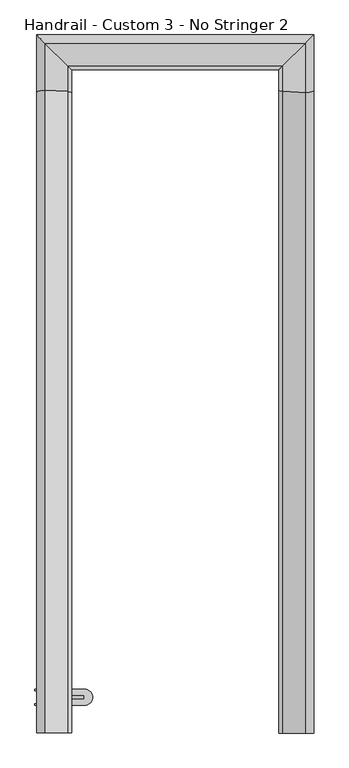
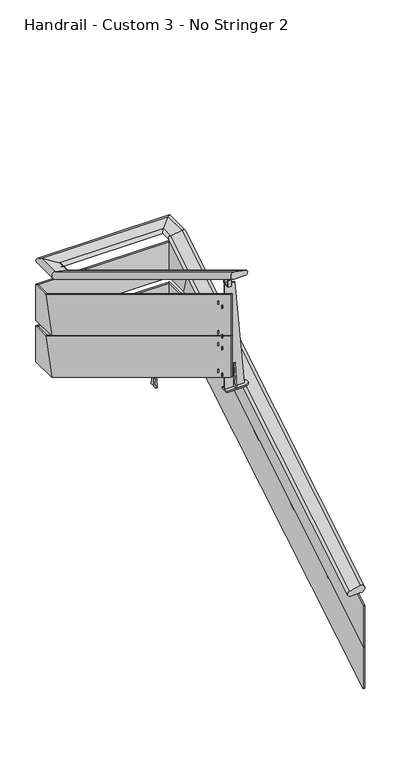
"""IFC4 building model written with IfcOpenShell, lengths in millimetres: railing geometry, Handrail - Custom 3 - No Stringer 2."""

from ifc_helpers import new_model, si_unit, frame, origin, place, context, project, spatial, polyline, circle_curve, ellipse_curve, outline, extrude, faceted_brep, source, transform, mapped, element, save
from ifc_brep_helpers import plane_surface, cylinder_surface, advanced_brep


def handrail_custom_3_no_stringer_2_b322c682(model_context):
    return source(origin(), model_context, "Body", "SolidModel", [
        advanced_brep(
        [(6934.9630012, 2487.7090883, 1039.1822381), (7026.170482, 2487.7090883, 1039.1822381), (7021.4768376, 2487.7090883, 1101.9146242), (6931.6550035, 2487.7090883, 1083.3949177), (6934.9630012, 5012.9533954, 2569.6333333), (7026.170482, 5012.9533954, 2569.6333333), (7021.4768376, 4997.9651493, 2623.2819339), (6931.6550035, 5002.3899438, 2607.443921), (6934.9630012, 5105.5757474, 2569.6333333), (7026.170482, 5196.7832281, 2569.6333333), (7021.4768376, 5192.0895838, 2623.2819339), (6931.6550035, 5102.2677496, 2607.443921), (6084.064631, 5105.5757474, 2569.6333333), (5992.8571502, 5196.7832281, 2569.6333333), (5997.5507946, 5192.0895838, 2623.2819339), (6087.3726288, 5102.2677496, 2607.443921), (6084.064631, 4991.6647813, 2569.6333333), (5992.8571502, 4991.6647813, 2569.6333333), (5997.5507946, 5006.6530274, 2623.2819339), (6087.3726288, 5002.2282329, 2607.443921), (6084.064631, 2487.7090883, 4087.1822381), (6087.3726288, 2487.7090883, 4131.3949177), (5997.5507946, 2487.7090883, 4149.9146242), (5992.8571502, 2487.7090883, 4087.1822381)],
        [
            (0, 1),
            (1, 2, ellipse_curve(frame((7026.170482, 2487.7090883, 1070.7885164), z_axis=(0.0, -1.0, 0.0), x_axis=(0.0, 0.0, -1.0)), 31.6062782, 27.0296206)),
            (2, 3),
            (3, 0, ellipse_curve(frame((6934.9630012, 2487.7090883, 1061.4577857), z_axis=(0.0, -1.0, 0.0), x_axis=(0.0, 0.0, -1.0)), 22.2755476, 19.05)),
            (0, 4),
            (4, 5),
            (5, 1),
            (5, 6, ellipse_curve(frame((7026.170482, 5005.4019103, 2596.6629539), z_axis=(0.0, -0.9631193673564087, -0.2690744956754374), x_axis=(0.0, 0.26907449567543734, -0.9631193673564088)), 28.0646631, 27.0296206)),
            (6, 2),
            (6, 7),
            (7, 3),
            (7, 4, ellipse_curve(frame((6934.9630012, 5007.6312419, 2588.6833333), z_axis=(0.0, -0.9631193673564087, -0.2690744956754374), x_axis=(0.0, 0.26907449567543734, -0.9631193673564088)), 19.7794797, 19.05)),
            (4, 8),
            (8, 9),
            (9, 5),
            (9, 10, ellipse_curve(frame((7026.170482, 5196.7832281, 2596.6629539), z_axis=(0.7071067811865462, -0.7071067811865487, 0.0), x_axis=(-0.7071067811865487, -0.7071067811865464, 0.0)), 38.225656, 27.0296206)),
            (10, 6),
            (10, 11),
            (11, 7),
            (11, 8, ellipse_curve(frame((6934.9630012, 5105.5757474, 2588.6833333), z_axis=(0.7071067811865462, -0.7071067811865487, 0.0), x_axis=(-0.7071067811865487, -0.7071067811865464, 0.0)), 26.9407684, 19.05)),
            (8, 12),
            (12, 13),
            (13, 9),
            (13, 14, ellipse_curve(frame((5992.8571502, 5196.7832281, 2596.6629539), z_axis=(0.7071067811865487, 0.7071067811865462, 0.0), x_axis=(0.7071067811865464, -0.7071067811865487, 0.0)), 38.225656, 27.0296206)),
            (14, 10),
            (14, 15),
            (15, 11),
            (15, 12, ellipse_curve(frame((6084.064631, 5105.5757474, 2588.6833333), z_axis=(0.7071067811865487, 0.7071067811865462, 0.0), x_axis=(0.7071067811865464, -0.7071067811865487, 0.0)), 26.9407684, 19.05)),
            (12, 16),
            (16, 17),
            (17, 13),
            (17, 18, ellipse_curve(frame((5992.8571502, 4999.2162663, 2596.6629539), z_axis=(0.0, 0.9631193673564088, -0.26907449567543756), x_axis=(0.0, 0.26907449567543673, 0.9631193673564089)), 28.0646631, 27.0296206)),
            (18, 14),
            (18, 19),
            (19, 15),
            (19, 16, ellipse_curve(frame((6084.064631, 4996.9869348, 2588.6833333), z_axis=(0.0, 0.9631193673564088, -0.26907449567543756), x_axis=(0.0, 0.26907449567543673, 0.9631193673564089)), 19.7794797, 19.05)),
            (20, 21, ellipse_curve(frame((6084.064631, 2487.7090883, 4109.4577857), z_axis=(0.0, -1.0, 0.0), x_axis=(0.0, 0.0, -1.0)), 22.2755476, 19.05)),
            (21, 22),
            (22, 23, ellipse_curve(frame((5992.8571502, 2487.7090883, 4118.7885164), z_axis=(0.0, -1.0, 0.0), x_axis=(0.0, 0.0, -1.0)), 31.6062782, 27.0296206)),
            (23, 20),
            (16, 20),
            (23, 17),
            (22, 18),
            (21, 19),
        ],
        [
            plane_surface(frame((6984.0963422, 2487.7090883, 1083.7333333), z_axis=(0.0, -1.0, 0.0), x_axis=(0.0, 0.0, 1.0))),
            plane_surface(frame((6934.9630012, 2487.7090883, 1039.1822381), z_axis=(0.0, 0.518301716093344, -0.8551978315540181), x_axis=(0.0, 0.8551978315540181, 0.518301716093344))),
            cylinder_surface(frame((7026.170482, 2493.446885, 1074.2659689), z_axis=(0.0, -0.8551978315540181, -0.5183017160933441), x_axis=(-1.0, 0.0, 0.0)), 27.0296206),
            plane_surface(frame((7021.4768376, 2487.7090883, 1101.9146242), z_axis=(-0.17364817766693424, -0.5104275484082569, 0.842205454873625), x_axis=(0.0, 0.8551978315540182, 0.518301716093344))),
            cylinder_surface(frame((6934.9630012, 2497.582736, 1067.4418146), z_axis=(0.0, -0.8551978315540181, -0.5183017160933441), x_axis=(-1.0, 0.0, 0.0)), 19.05),
            plane_surface(frame((6934.9630012, 5012.9533954, 2569.6333333), z_axis=(0.0, 0.0, -1.0), x_axis=(0.0, 1.0, 0.0))),
            cylinder_surface(frame((7026.170482, 5002.3090883, 2596.6629539), z_axis=(0.0, -1.0, 0.0), x_axis=(-1.0, 0.0, 0.0)), 27.0296206),
            plane_surface(frame((7021.4768376, 4997.9651493, 2623.2819339), z_axis=(-0.17364817766693336, 0.0, 0.9848077530122076), x_axis=(0.0, 1.0, 0.0))),
            cylinder_surface(frame((6934.9630012, 5002.3090883, 2588.6833333), z_axis=(0.0, -1.0, 0.0), x_axis=(-1.0, 0.0, 0.0)), 19.05),
            plane_surface(frame((6934.9630012, 5105.5757474, 2569.6333333), z_axis=(0.0, 0.0, -1.0), x_axis=(-1.0, 0.0, 0.0))),
            cylinder_surface(frame((6984.0963422, 5196.7832281, 2596.6629539), z_axis=(1.0, 0.0, 0.0), x_axis=(0.0, -1.0, 0.0)), 27.0296206),
            plane_surface(frame((7021.4768376, 5192.0895838, 2623.2819339), z_axis=(0.0, -0.17364817766693336, 0.9848077530122076), x_axis=(-1.0, 0.0, 0.0))),
            cylinder_surface(frame((6984.0963422, 5105.5757474, 2588.6833333), z_axis=(1.0, 0.0, 0.0), x_axis=(0.0, -1.0, 0.0)), 19.05),
            plane_surface(frame((6084.064631, 5105.5757474, 2569.6333333), z_axis=(0.0, 0.0, -1.0), x_axis=(0.0, -1.0, 0.0))),
            cylinder_surface(frame((5992.8571502, 5154.7090883, 2596.6629539), z_axis=(0.0, 1.0, 0.0), x_axis=(1.0, 0.0, 0.0)), 27.0296206),
            plane_surface(frame((5997.5507946, 5192.0895838, 2623.2819339), z_axis=(0.17364817766693336, 0.0, 0.9848077530122076), x_axis=(0.0, -1.0, 0.0))),
            cylinder_surface(frame((6084.064631, 5154.7090883, 2588.6833333), z_axis=(0.0, 1.0, 0.0), x_axis=(1.0, 0.0, 0.0)), 19.05),
            plane_surface(frame((6034.93129, 2487.7090883, 4131.7333333), z_axis=(0.0, -1.0, 0.0), x_axis=(0.0, 0.0, -1.0))),
            plane_surface(frame((6084.064631, 4991.6647813, 2569.6333333), z_axis=(0.0, -0.5183017160933444, -0.8551978315540179), x_axis=(0.0, -0.8551978315540179, 0.5183017160933444))),
            cylinder_surface(frame((5992.8571502, 4996.5712917, 2598.2659689), z_axis=(0.0, 0.8551978315540179, -0.5183017160933443), x_axis=(1.0, 0.0, 0.0)), 27.0296206),
            plane_surface(frame((5997.5507946, 5006.6530274, 2623.2819339), z_axis=(0.17364817766693424, 0.5104275484082572, 0.8422054548736247), x_axis=(0.0, -0.8551978315540179, 0.5183017160933443))),
            cylinder_surface(frame((6084.064631, 4992.4354406, 2591.4418146), z_axis=(0.0, 0.8551978315540179, -0.5183017160933443), x_axis=(1.0, 0.0, 0.0)), 19.05),
        ],
        [
            (0, [[1, 2, 3, 4]]),
            (1, [[-1, 5, 6, 7]]),
            (2, [[-2, -7, 8, 9]]),
            (3, [[-3, -9, 10, 11]]),
            (4, [[-4, -11, 12, -5]]),
            (5, [[-6, 13, 14, 15]]),
            (6, [[-8, -15, 16, 17]]),
            (7, [[-10, -17, 18, 19]]),
            (8, [[-12, -19, 20, -13]]),
            (9, [[-14, 21, 22, 23]]),
            (10, [[-16, -23, 24, 25]]),
            (11, [[-18, -25, 26, 27]]),
            (12, [[-20, -27, 28, -21]]),
            (13, [[-22, 29, 30, 31]]),
            (14, [[-24, -31, 32, 33]]),
            (15, [[-26, -33, 34, 35]]),
            (16, [[-28, -35, 36, -29]]),
            (17, [[37, 38, 39, 40]]),
            (18, [[-30, 41, -40, 42]]),
            (19, [[-32, -42, -39, 43]]),
            (20, [[-34, -43, -38, 44]]),
            (21, [[-36, -44, -37, -41]]),
        ],
    ),
        faceted_brep([(7039.6588422, 2487.7090883, 207.4333333), (7052.3588422, 2487.7090883, 207.4333333), (7052.3588422, 2487.7090883, 563.8420949), (7039.6588422, 2487.7090883, 563.8420949), (7039.6588422, 5002.3090883, 1731.4333333), (7052.3588422, 5002.3090883, 1731.4333333), (7052.3588422, 4917.1546318, 2036.2333333), (7039.6588422, 4917.1546318, 2036.2333333), (7039.6588422, 5210.2715883, 1731.4333333), (7052.3588422, 5222.9715883, 1731.4333333), (7052.3588422, 5222.9715883, 2036.2333333), (7039.6588422, 5210.2715883, 2036.2333333), (5979.36879, 5210.2715883, 1731.4333333), (5966.66879, 5222.9715883, 1731.4333333), (5966.66879, 5222.9715883, 2036.2333333), (5979.36879, 5210.2715883, 2036.2333333), (5979.36879, 5002.3090883, 1731.4333333), (5966.66879, 5002.3090883, 1731.4333333), (5966.66879, 5087.4635448, 2036.2333333), (5979.36879, 5087.4635448, 2036.2333333), (5979.36879, 2487.7090883, 3255.4333333), (5979.36879, 2487.7090883, 3611.8420949), (5966.66879, 2487.7090883, 3611.8420949), (5966.66879, 2487.7090883, 3255.4333333)], [[[0, 1, 2, 3]], [[1, 0, 4, 5]], [[2, 1, 5, 6]], [[3, 2, 6, 7]], [[0, 3, 7, 4]], [[5, 4, 8, 9]], [[6, 5, 9, 10]], [[7, 6, 10, 11]], [[4, 7, 11, 8]], [[9, 8, 12, 13]], [[10, 9, 13, 14]], [[11, 10, 14, 15]], [[8, 11, 15, 12]], [[13, 12, 16, 17]], [[14, 13, 17, 18]], [[15, 14, 18, 19]], [[12, 15, 19, 16]], [[20, 21, 22, 23]], [[17, 16, 20, 23]], [[18, 17, 23, 22]], [[19, 18, 22, 21]], [[16, 19, 21, 20]]]),
        faceted_brep([(7039.6588422, 2487.7090883, 563.0333333), (7052.3588422, 2487.7090883, 563.0333333), (7052.3588422, 2487.7090883, 919.4420949), (7039.6588422, 2487.7090883, 919.4420949), (7039.6588422, 5002.3090883, 2087.0333333), (7052.3588422, 5002.3090883, 2087.0333333), (7052.3588422, 4917.1546318, 2391.8333333), (7039.6588422, 4917.1546318, 2391.8333333), (7039.6588422, 5210.2715883, 2087.0333333), (7052.3588422, 5222.9715883, 2087.0333333), (7052.3588422, 5222.9715883, 2391.8333333), (7039.6588422, 5210.2715883, 2391.8333333), (5979.36879, 5210.2715883, 2087.0333333), (5966.66879, 5222.9715883, 2087.0333333), (5966.66879, 5222.9715883, 2391.8333333), (5979.36879, 5210.2715883, 2391.8333333), (5979.36879, 5002.3090883, 2087.0333333), (5966.66879, 5002.3090883, 2087.0333333), (5966.66879, 5087.4635448, 2391.8333333), (5979.36879, 5087.4635448, 2391.8333333), (5979.36879, 2487.7090883, 3611.0333333), (5979.36879, 2487.7090883, 3967.4420949), (5966.66879, 2487.7090883, 3967.4420949), (5966.66879, 2487.7090883, 3611.0333333)], [[[0, 1, 2, 3]], [[1, 0, 4, 5]], [[2, 1, 5, 6]], [[3, 2, 6, 7]], [[0, 3, 7, 4]], [[5, 4, 8, 9]], [[6, 5, 9, 10]], [[7, 6, 10, 11]], [[4, 7, 11, 8]], [[9, 8, 12, 13]], [[10, 9, 13, 14]], [[11, 10, 14, 15]], [[8, 11, 15, 12]], [[13, 12, 16, 17]], [[14, 13, 17, 18]], [[15, 14, 18, 19]], [[12, 15, 19, 16]], [[20, 21, 22, 23]], [[17, 16, 20, 23]], [[18, 17, 23, 22]], [[19, 18, 22, 21]], [[16, 19, 21, 20]]]),
        extrude(outline(polyline([(2621.0590883, 3263.9), (2621.0590883, 3060.7), (2595.6590883, 3060.7), (2621.0590883, 3263.9)])), frame((6066.68129, 0.0, 0.0), z_axis=(1.0, 0.0, 0.0), x_axis=(0.0, 1.0, 0.0)), (0.0, 0.0, 1.0), 12.7),
        extrude(outline(polyline([(2633.7590883, 3263.9), (2659.1590883, 3060.7), (2633.7590883, 3060.7), (2633.7590883, 3263.9)])), frame((6066.68129, 0.0, 0.0), z_axis=(1.0, 0.0, 0.0), x_axis=(0.0, 1.0, 0.0)), (0.0, 0.0, 1.0), 12.7),
        advanced_brep(
        [(6078.3705852, 2621.0590883, 3951.7155715), (6034.93129, 2621.0590883, 3951.7155715), (6034.93129, 2621.0590883, 3945.3655715), (6009.53129, 2621.0590883, 3945.3655715), (6009.53129, 2621.0590883, 3951.7155715), (5996.83129, 2621.0590883, 3951.7155715), (5996.83129, 2621.0590883, 3060.7), (6152.0702467, 2621.0590883, 3060.7), (6034.93129, 2621.0590883, 3222.8668385), (6034.93129, 2621.0590883, 3197.4668385), (6028.58129, 2621.0590883, 3197.4668385), (6028.58129, 2621.0590883, 3222.8668385), (6034.93129, 2621.0590883, 3451.4668385), (6034.93129, 2621.0590883, 3426.0668385), (6028.58129, 2621.0590883, 3426.0668385), (6028.58129, 2621.0590883, 3451.4668385), (6034.93129, 2621.0590883, 3553.0668385), (6034.93129, 2621.0590883, 3527.6668385), (6028.58129, 2621.0590883, 3527.6668385), (6028.58129, 2621.0590883, 3553.0668385), (6034.93129, 2621.0590883, 3807.0668385), (6034.93129, 2621.0590883, 3781.6668385), (6028.58129, 2621.0590883, 3781.6668385), (6028.58129, 2621.0590883, 3807.0668385), (5996.83129, 2633.7590883, 3951.7155715), (6009.53129, 2633.7590883, 3951.7155715), (6009.53129, 2633.7590883, 3945.3655715), (6034.93129, 2633.7590883, 3945.3655715), (6034.93129, 2633.7590883, 3951.7155715), (6078.3705852, 2633.7590883, 3951.7155715), (6152.0702467, 2633.7590883, 3060.7), (5996.83129, 2633.7590883, 3060.7), (6028.58129, 2633.7590883, 3222.8668385), (6028.58129, 2633.7590883, 3197.4668385), (6034.93129, 2633.7590883, 3197.4668385), (6034.93129, 2633.7590883, 3222.8668385), (6028.58129, 2633.7590883, 3451.4668385), (6028.58129, 2633.7590883, 3426.0668385), (6034.93129, 2633.7590883, 3426.0668385), (6034.93129, 2633.7590883, 3451.4668385), (6028.58129, 2633.7590883, 3553.0668385), (6028.58129, 2633.7590883, 3527.6668385), (6034.93129, 2633.7590883, 3527.6668385), (6034.93129, 2633.7590883, 3553.0668385), (6028.58129, 2633.7590883, 3807.0668385), (6028.58129, 2633.7590883, 3781.6668385), (6034.93129, 2633.7590883, 3781.6668385), (6034.93129, 2633.7590883, 3807.0668385), (6009.53129, 2602.0090883, 3951.7155715), (6034.93129, 2602.0090883, 3951.7155715), (6034.93129, 2652.8090883, 3951.7155715), (6009.53129, 2652.8090883, 3951.7155715), (5996.83129, 2595.6590883, 3048.0), (5996.83129, 2659.1590883, 3048.0), (6153.1207173, 2659.1590883, 3048.0), (6153.1207173, 2595.6590883, 3048.0), (5996.83129, 2659.1590883, 3060.7), (5996.83129, 2595.6590883, 3060.7), (6153.1207173, 2595.6590883, 3060.7), (6153.1207173, 2659.1590883, 3060.7), (6028.58129, 2602.0090883, 3197.4668385), (5977.78129, 2602.0090883, 3197.4668385), (5977.78129, 2602.0090883, 3222.8668385), (6028.58129, 2602.0090883, 3222.8668385), (5977.78129, 2595.6590883, 3222.8668385), (6034.93129, 2595.6590883, 3222.8668385), (6034.93129, 2659.1590883, 3222.8668385), (5977.78129, 2659.1590883, 3222.8668385), (5977.78129, 2652.8090883, 3222.8668385), (6028.58129, 2652.8090883, 3222.8668385), (5977.78129, 2595.6590883, 3197.4668385), (6034.93129, 2595.6590883, 3197.4668385), (6028.58129, 2652.8090883, 3197.4668385), (5977.78129, 2652.8090883, 3197.4668385), (5977.78129, 2659.1590883, 3197.4668385), (6034.93129, 2659.1590883, 3197.4668385), (6028.58129, 2602.0090883, 3426.0668385), (5977.78129, 2602.0090883, 3426.0668385), (5977.78129, 2602.0090883, 3451.4668385), (6028.58129, 2602.0090883, 3451.4668385), (5977.78129, 2595.6590883, 3451.4668385), (6034.93129, 2595.6590883, 3451.4668385), (6034.93129, 2659.1590883, 3451.4668385), (5977.78129, 2659.1590883, 3451.4668385), (5977.78129, 2652.8090883, 3451.4668385), (6028.58129, 2652.8090883, 3451.4668385), (5977.78129, 2595.6590883, 3426.0668385), (6034.93129, 2595.6590883, 3426.0668385), (6028.58129, 2652.8090883, 3426.0668385), (5977.78129, 2652.8090883, 3426.0668385), (5977.78129, 2659.1590883, 3426.0668385), (6034.93129, 2659.1590883, 3426.0668385), (6028.58129, 2602.0090883, 3527.6668385), (5977.78129, 2602.0090883, 3527.6668385), (5977.78129, 2602.0090883, 3553.0668385), (6028.58129, 2602.0090883, 3553.0668385), (5977.78129, 2595.6590883, 3553.0668385), (6034.93129, 2595.6590883, 3553.0668385), (6034.93129, 2659.1590883, 3553.0668385), (5977.78129, 2659.1590883, 3553.0668385), (5977.78129, 2652.8090883, 3553.0668385), (6028.58129, 2652.8090883, 3553.0668385), (5977.78129, 2595.6590883, 3527.6668385), (6034.93129, 2595.6590883, 3527.6668385), (6028.58129, 2652.8090883, 3527.6668385), (5977.78129, 2652.8090883, 3527.6668385), (5977.78129, 2659.1590883, 3527.6668385), (6034.93129, 2659.1590883, 3527.6668385), (6028.58129, 2602.0090883, 3781.6668385), (5977.78129, 2602.0090883, 3781.6668385), (5977.78129, 2602.0090883, 3807.0668385), (6028.58129, 2602.0090883, 3807.0668385), (5977.78129, 2595.6590883, 3807.0668385), (6034.93129, 2595.6590883, 3807.0668385), (6034.93129, 2659.1590883, 3807.0668385), (5977.78129, 2659.1590883, 3807.0668385), (5977.78129, 2652.8090883, 3807.0668385), (6028.58129, 2652.8090883, 3807.0668385), (5977.78129, 2595.6590883, 3781.6668385), (6034.93129, 2595.6590883, 3781.6668385), (6028.58129, 2652.8090883, 3781.6668385), (5977.78129, 2652.8090883, 3781.6668385), (5977.78129, 2659.1590883, 3781.6668385), (6034.93129, 2659.1590883, 3781.6668385), (6009.53129, 2595.6590883, 3945.3655715), (6009.53129, 2595.6590883, 4002.5155715), (6009.53129, 2602.0090883, 4002.5155715), (6009.53129, 2652.8090883, 4002.5155715), (6009.53129, 2659.1590883, 4002.5155715), (6009.53129, 2659.1590883, 3945.3655715), (6034.93129, 2602.0090883, 4002.5155715), (6034.93129, 2595.6590883, 4002.5155715), (6034.93129, 2595.6590883, 3945.3655715), (6034.93129, 2659.1590883, 3945.3655715), (6034.93129, 2659.1590883, 4002.5155715), (6034.93129, 2652.8090883, 4002.5155715)],
        [
            (0, 1),
            (1, 2),
            (2, 3),
            (3, 4),
            (4, 5),
            (5, 6),
            (6, 7),
            (7, 0),
            (8, 9),
            (9, 10),
            (10, 11),
            (11, 8),
            (12, 13),
            (13, 14),
            (14, 15),
            (15, 12),
            (16, 17),
            (17, 18),
            (18, 19),
            (19, 16),
            (20, 21),
            (21, 22),
            (22, 23),
            (23, 20),
            (24, 25),
            (25, 26),
            (26, 27),
            (27, 28),
            (28, 29),
            (29, 30),
            (30, 31),
            (31, 24),
            (32, 33),
            (33, 34),
            (34, 35),
            (35, 32),
            (36, 37),
            (37, 38),
            (38, 39),
            (39, 36),
            (40, 41),
            (41, 42),
            (42, 43),
            (43, 40),
            (44, 45),
            (45, 46),
            (46, 47),
            (47, 44),
            (4, 48),
            (48, 49),
            (49, 1),
            (0, 29),
            (28, 50),
            (50, 51),
            (51, 25),
            (24, 5),
            (7, 30),
            (52, 53),
            (53, 54),
            (54, 55, circle_curve(frame((6153.1207173, 2627.4090883, 3048.0), z_axis=(0.0, 0.0, -1.0), x_axis=(-1.0, 0.0, 0.0)), 31.75)),
            (55, 52),
            (31, 56),
            (56, 53),
            (52, 57),
            (57, 6),
            (57, 58),
            (58, 59, circle_curve(frame((6153.1207173, 2627.4090883, 3060.7), z_axis=(0.0, 0.0, 1.0), x_axis=(-1.0, 0.0, 0.0)), 31.75)),
            (59, 56),
            (59, 54),
            (58, 55),
            (60, 61),
            (61, 62),
            (62, 63),
            (63, 60),
            (62, 64),
            (64, 65),
            (65, 8),
            (11, 63),
            (35, 66),
            (66, 67),
            (67, 68),
            (68, 69),
            (69, 32),
            (64, 70),
            (70, 71),
            (71, 65),
            (70, 61),
            (60, 10),
            (9, 71),
            (33, 72),
            (72, 73),
            (73, 74),
            (74, 75),
            (75, 34),
            (76, 77),
            (77, 78),
            (78, 79),
            (79, 76),
            (78, 80),
            (80, 81),
            (81, 12),
            (15, 79),
            (39, 82),
            (82, 83),
            (83, 84),
            (84, 85),
            (85, 36),
            (80, 86),
            (86, 87),
            (87, 81),
            (86, 77),
            (76, 14),
            (13, 87),
            (37, 88),
            (88, 89),
            (89, 90),
            (90, 91),
            (91, 38),
            (92, 93),
            (93, 94),
            (94, 95),
            (95, 92),
            (94, 96),
            (96, 97),
            (97, 16),
            (19, 95),
            (43, 98),
            (98, 99),
            (99, 100),
            (100, 101),
            (101, 40),
            (96, 102),
            (102, 103),
            (103, 97),
            (102, 93),
            (92, 18),
            (17, 103),
            (41, 104),
            (104, 105),
            (105, 106),
            (106, 107),
            (107, 42),
            (108, 109),
            (109, 110),
            (110, 111),
            (111, 108),
            (110, 112),
            (112, 113),
            (113, 20),
            (23, 111),
            (47, 114),
            (114, 115),
            (115, 116),
            (116, 117),
            (117, 44),
            (112, 118),
            (118, 119),
            (119, 113),
            (118, 109),
            (108, 22),
            (21, 119),
            (45, 120),
            (120, 121),
            (121, 122),
            (122, 123),
            (123, 46),
            (69, 72),
            (75, 66),
            (85, 88),
            (91, 82),
            (101, 104),
            (107, 98),
            (117, 120),
            (123, 114),
            (68, 73),
            (74, 67),
            (84, 89),
            (90, 83),
            (100, 105),
            (106, 99),
            (116, 121),
            (122, 115),
            (3, 124),
            (124, 125),
            (125, 126),
            (126, 48),
            (51, 127),
            (127, 128),
            (128, 129),
            (129, 26),
            (49, 130),
            (130, 131),
            (131, 132),
            (132, 2),
            (27, 133),
            (133, 134),
            (134, 135),
            (135, 50),
            (126, 130),
            (125, 131),
            (124, 132),
            (129, 133),
            (128, 134),
            (127, 135),
        ],
        [
            plane_surface(frame((5996.83129, 2621.0590883, 3951.7155715), z_axis=(0.0, -1.0, 0.0), x_axis=(1.0, 0.0, 0.0))),
            plane_surface(frame((5996.83129, 2633.7590883, 3951.7155715), z_axis=(0.0, 1.0, 0.0), x_axis=(-1.0, 0.0, 0.0))),
            plane_surface(frame((5996.83129, 2621.0590883, 3951.7155715), z_axis=(0.0, 0.0, 1.0), x_axis=(0.0, 1.0, 0.0))),
            plane_surface(frame((6078.3705852, 2621.0590883, 3951.7155715), z_axis=(0.9965966321302145, 0.0, 0.08243271696792498), x_axis=(0.0, 1.0, 0.0))),
            plane_surface(frame((6153.1207173, 2621.0590883, 3048.0), z_axis=(0.0, 0.0, -1.0), x_axis=(0.0, 1.0, 0.0))),
            plane_surface(frame((5996.83129, 2621.0590883, 3048.0), z_axis=(-1.0, 0.0, 0.0), x_axis=(0.0, 1.0, 0.0))),
            plane_surface(frame((5996.83129, 2659.1590883, 3060.7), z_axis=(0.0, 0.0, 1.0), x_axis=(1.0, 0.0, 0.0))),
            plane_surface(frame((5996.83129, 2659.1590883, 3060.7), z_axis=(0.0, 1.0, 0.0), x_axis=(0.0, 0.0, -1.0))),
            cylinder_surface(frame((6153.1207173, 2627.4090883, 3048.0), z_axis=(0.0, 0.0, 1.0), x_axis=(-1.0, 0.0, 0.0)), 31.75),
            plane_surface(frame((6153.1207173, 2595.6590883, 3060.7), z_axis=(0.0, -1.0, 0.0), x_axis=(0.0, 0.0, -1.0))),
            plane_surface(frame((5958.73129, 2602.0090883, 3197.4668385), z_axis=(0.0, 1.0, 0.0), x_axis=(1.0, 0.0, 0.0))),
            plane_surface(frame((5958.73129, 2602.0090883, 3222.8668385), z_axis=(0.0, 0.0, 1.0), x_axis=(1.0, 0.0, 0.0))),
            plane_surface(frame((5958.73129, 2595.6590883, 3222.8668385), z_axis=(0.0, -1.0, 0.0), x_axis=(1.0, 0.0, 0.0))),
            plane_surface(frame((5958.73129, 2595.6590883, 3197.4668385), z_axis=(0.0, 0.0, -1.0), x_axis=(1.0, 0.0, 0.0))),
            plane_surface(frame((5958.73129, 2602.0090883, 3426.0668385), z_axis=(0.0, 1.0, 0.0), x_axis=(1.0, 0.0, 0.0))),
            plane_surface(frame((5958.73129, 2602.0090883, 3451.4668385), z_axis=(0.0, 0.0, 1.0), x_axis=(1.0, 0.0, 0.0))),
            plane_surface(frame((5958.73129, 2595.6590883, 3451.4668385), z_axis=(0.0, -1.0, 0.0), x_axis=(1.0, 0.0, 0.0))),
            plane_surface(frame((5958.73129, 2595.6590883, 3426.0668385), z_axis=(0.0, 0.0, -1.0), x_axis=(1.0, 0.0, 0.0))),
            plane_surface(frame((5958.73129, 2602.0090883, 3527.6668385), z_axis=(0.0, 1.0, 0.0), x_axis=(1.0, 0.0, 0.0))),
            plane_surface(frame((5958.73129, 2602.0090883, 3553.0668385), z_axis=(0.0, 0.0, 1.0), x_axis=(1.0, 0.0, 0.0))),
            plane_surface(frame((5958.73129, 2595.6590883, 3553.0668385), z_axis=(0.0, -1.0, 0.0), x_axis=(1.0, 0.0, 0.0))),
            plane_surface(frame((5958.73129, 2595.6590883, 3527.6668385), z_axis=(0.0, 0.0, -1.0), x_axis=(1.0, 0.0, 0.0))),
            plane_surface(frame((5958.73129, 2602.0090883, 3781.6668385), z_axis=(0.0, 1.0, 0.0), x_axis=(1.0, 0.0, 0.0))),
            plane_surface(frame((5958.73129, 2602.0090883, 3807.0668385), z_axis=(0.0, 0.0, 1.0), x_axis=(1.0, 0.0, 0.0))),
            plane_surface(frame((5958.73129, 2595.6590883, 3807.0668385), z_axis=(0.0, -1.0, 0.0), x_axis=(1.0, 0.0, 0.0))),
            plane_surface(frame((5958.73129, 2595.6590883, 3781.6668385), z_axis=(0.0, 0.0, -1.0), x_axis=(1.0, 0.0, 0.0))),
            plane_surface(frame((6028.58129, 2602.0090883, 3197.4668385), z_axis=(-1.0, 0.0, 0.0), x_axis=(0.0, 1.0, 0.0))),
            plane_surface(frame((6034.93129, 2595.6590883, 3222.8668385), z_axis=(1.0, 0.0, 0.0), x_axis=(0.0, 1.0, 0.0))),
            plane_surface(frame((6028.58129, 2602.0090883, 3426.0668385), z_axis=(-1.0, 0.0, 0.0), x_axis=(0.0, 1.0, 0.0))),
            plane_surface(frame((6034.93129, 2595.6590883, 3451.4668385), z_axis=(1.0, 0.0, 0.0), x_axis=(0.0, 1.0, 0.0))),
            plane_surface(frame((6028.58129, 2602.0090883, 3527.6668385), z_axis=(-1.0, 0.0, 0.0), x_axis=(0.0, 1.0, 0.0))),
            plane_surface(frame((6034.93129, 2595.6590883, 3553.0668385), z_axis=(1.0, 0.0, 0.0), x_axis=(0.0, 1.0, 0.0))),
            plane_surface(frame((6028.58129, 2602.0090883, 3781.6668385), z_axis=(-1.0, 0.0, 0.0), x_axis=(0.0, 1.0, 0.0))),
            plane_surface(frame((6034.93129, 2595.6590883, 3807.0668385), z_axis=(1.0, 0.0, 0.0), x_axis=(0.0, 1.0, 0.0))),
            plane_surface(frame((6028.58129, 2652.8090883, 3197.4668385), z_axis=(0.0, -1.0, 0.0), x_axis=(-1.0, 0.0, 0.0))),
            plane_surface(frame((6034.93129, 2659.1590883, 3222.8668385), z_axis=(0.0, 1.0, 0.0), x_axis=(-1.0, 0.0, 0.0))),
            plane_surface(frame((6028.58129, 2652.8090883, 3426.0668385), z_axis=(0.0, -1.0, 0.0), x_axis=(-1.0, 0.0, 0.0))),
            plane_surface(frame((6034.93129, 2659.1590883, 3451.4668385), z_axis=(0.0, 1.0, 0.0), x_axis=(-1.0, 0.0, 0.0))),
            plane_surface(frame((6028.58129, 2652.8090883, 3527.6668385), z_axis=(0.0, -1.0, 0.0), x_axis=(-1.0, 0.0, 0.0))),
            plane_surface(frame((6034.93129, 2659.1590883, 3553.0668385), z_axis=(0.0, 1.0, 0.0), x_axis=(-1.0, 0.0, 0.0))),
            plane_surface(frame((6028.58129, 2652.8090883, 3781.6668385), z_axis=(0.0, -1.0, 0.0), x_axis=(-1.0, 0.0, 0.0))),
            plane_surface(frame((6034.93129, 2659.1590883, 3807.0668385), z_axis=(0.0, 1.0, 0.0), x_axis=(-1.0, 0.0, 0.0))),
            plane_surface(frame((5977.78129, 2659.1590883, 4002.5155715), z_axis=(-1.0, 0.0, 0.0), x_axis=(0.0, 0.0, -1.0))),
            plane_surface(frame((6009.53129, 2602.0090883, 4002.5155715), z_axis=(-1.0, 0.0, 0.0), x_axis=(0.0, 0.0, 1.0))),
            plane_surface(frame((6034.93129, 2602.0090883, 4002.5155715), z_axis=(1.0, 0.0, 0.0), x_axis=(0.0, 0.0, -1.0))),
            plane_surface(frame((6009.53129, 2602.0090883, 3951.7155715), z_axis=(0.0, 1.0, 0.0), x_axis=(1.0, 0.0, 0.0))),
            plane_surface(frame((6009.53129, 2602.0090883, 4002.5155715), z_axis=(0.0, 0.0, 1.0), x_axis=(1.0, 0.0, 0.0))),
            plane_surface(frame((6009.53129, 2595.6590883, 4002.5155715), z_axis=(0.0, -1.0, 0.0), x_axis=(1.0, 0.0, 0.0))),
            plane_surface(frame((6009.53129, 2595.6590883, 3945.3655715), z_axis=(0.0, 0.0, -1.0), x_axis=(1.0, 0.0, 0.0))),
            plane_surface(frame((6009.53129, 2633.7590883, 3945.3655715), z_axis=(0.0, 0.0, -1.0), x_axis=(1.0, 0.0, 0.0))),
            plane_surface(frame((6009.53129, 2659.1590883, 3945.3655715), z_axis=(0.0, 1.0, 0.0), x_axis=(1.0, 0.0, 0.0))),
            plane_surface(frame((6009.53129, 2659.1590883, 4002.5155715), z_axis=(0.0, 0.0, 1.0), x_axis=(1.0, 0.0, 0.0))),
            plane_surface(frame((6009.53129, 2652.8090883, 4002.5155715), z_axis=(0.0, -1.0, 0.0), x_axis=(1.0, 0.0, 0.0))),
        ],
        [
            (0, [[1, 2, 3, 4, 5, 6, 7, 8], [9, 10, 11, 12], [13, 14, 15, 16], [17, 18, 19, 20], [21, 22, 23, 24]]),
            (1, [[25, 26, 27, 28, 29, 30, 31, 32], [33, 34, 35, 36], [37, 38, 39, 40], [41, 42, 43, 44], [45, 46, 47, 48]]),
            (2, [[-5, 49, 50, 51, -1, 52, -29, 53, 54, 55, -25, 56]]),
            (3, [[-8, 57, -30, -52]]),
            (4, [[58, 59, 60, 61]]),
            (5, [[-32, 62, 63, -58, 64, 65, -6, -56]]),
            (6, [[-62, -31, -57, -7, -65, 66, 67, 68]]),
            (7, [[69, -59, -63, -68]]),
            (8, [[70, -60, -69, -67]]),
            (9, [[-64, -61, -70, -66]]),
            (10, [[71, 72, 73, 74]]),
            (11, [[-73, 75, 76, 77, -12, 78]]),
            (11, [[-36, 79, 80, 81, 82, 83]]),
            (12, [[-76, 84, 85, 86]]),
            (13, [[-85, 87, -71, 88, -10, 89]]),
            (13, [[-34, 90, 91, 92, 93, 94]]),
            (14, [[95, 96, 97, 98]]),
            (15, [[-97, 99, 100, 101, -16, 102]]),
            (15, [[-40, 103, 104, 105, 106, 107]]),
            (16, [[-100, 108, 109, 110]]),
            (17, [[-109, 111, -95, 112, -14, 113]]),
            (17, [[-38, 114, 115, 116, 117, 118]]),
            (18, [[119, 120, 121, 122]]),
            (19, [[-121, 123, 124, 125, -20, 126]]),
            (19, [[-44, 127, 128, 129, 130, 131]]),
            (20, [[-124, 132, 133, 134]]),
            (21, [[-133, 135, -119, 136, -18, 137]]),
            (21, [[-42, 138, 139, 140, 141, 142]]),
            (22, [[143, 144, 145, 146]]),
            (23, [[-145, 147, 148, 149, -24, 150]]),
            (23, [[-48, 151, 152, 153, 154, 155]]),
            (24, [[-148, 156, 157, 158]]),
            (25, [[-157, 159, -143, 160, -22, 161]]),
            (25, [[-46, 162, 163, 164, 165, 166]]),
            (26, [[-78, -11, -88, -74]]),
            (26, [[-90, -33, -83, 167]]),
            (27, [[-89, -9, -77, -86]]),
            (27, [[-79, -35, -94, 168]]),
            (28, [[-102, -15, -112, -98]]),
            (28, [[-114, -37, -107, 169]]),
            (29, [[-113, -13, -101, -110]]),
            (29, [[-103, -39, -118, 170]]),
            (30, [[-126, -19, -136, -122]]),
            (30, [[-138, -41, -131, 171]]),
            (31, [[-137, -17, -125, -134]]),
            (31, [[-127, -43, -142, 172]]),
            (32, [[-150, -23, -160, -146]]),
            (32, [[-162, -45, -155, 173]]),
            (33, [[-161, -21, -149, -158]]),
            (33, [[-151, -47, -166, 174]]),
            (34, [[-82, 175, -91, -167]]),
            (35, [[-93, 176, -80, -168]]),
            (36, [[-106, 177, -115, -169]]),
            (37, [[-117, 178, -104, -170]]),
            (38, [[-130, 179, -139, -171]]),
            (39, [[-141, 180, -128, -172]]),
            (40, [[-154, 181, -163, -173]]),
            (41, [[-165, 182, -152, -174]]),
            (42, [[-87, -84, -75, -72]]),
            (42, [[-176, -92, -175, -81]]),
            (42, [[-111, -108, -99, -96]]),
            (42, [[-178, -116, -177, -105]]),
            (42, [[-135, -132, -123, -120]]),
            (42, [[-180, -140, -179, -129]]),
            (42, [[-159, -156, -147, -144]]),
            (42, [[-182, -164, -181, -153]]),
            (43, [[-49, -4, 183, 184, 185, 186]]),
            (43, [[187, 188, 189, 190, -26, -55]]),
            (44, [[191, 192, 193, 194, -2, -51]]),
            (44, [[-53, -28, 195, 196, 197, 198]]),
            (45, [[199, -191, -50, -186]]),
            (46, [[200, -192, -199, -185]]),
            (47, [[201, -193, -200, -184]]),
            (48, [[-3, -194, -201, -183]]),
            (49, [[202, -195, -27, -190]]),
            (50, [[203, -196, -202, -189]]),
            (51, [[204, -197, -203, -188]]),
            (52, [[-54, -198, -204, -187]]),
        ],
    ),
        faceted_brep([(5958.73129, 2602.0090883, 3197.4668385), (5958.73129, 2595.6590883, 3197.4668385), (5958.73129, 2595.6590883, 3222.8668385), (5958.73129, 2602.0090883, 3222.8668385), (5965.08129, 2602.0090883, 3222.8668385), (5965.08129, 2602.0090883, 3197.4668385), (5965.08129, 2595.6590883, 3222.8668385), (5965.08129, 2595.6590883, 3197.4668385)], [[[0, 1, 2, 3]], [[3, 4, 5, 0]], [[2, 6, 4, 3]], [[1, 7, 6, 2]], [[0, 5, 7, 1]], [[4, 6, 7, 5]]]),
        faceted_brep([(5958.73129, 2602.0090883, 3426.0668385), (5958.73129, 2595.6590883, 3426.0668385), (5958.73129, 2595.6590883, 3451.4668385), (5958.73129, 2602.0090883, 3451.4668385), (5965.08129, 2602.0090883, 3451.4668385), (5965.08129, 2602.0090883, 3426.0668385), (5965.08129, 2595.6590883, 3451.4668385), (5965.08129, 2595.6590883, 3426.0668385)], [[[0, 1, 2, 3]], [[3, 4, 5, 0]], [[2, 6, 4, 3]], [[1, 7, 6, 2]], [[0, 5, 7, 1]], [[4, 6, 7, 5]]]),
        faceted_brep([(5958.73129, 2602.0090883, 3527.6668385), (5958.73129, 2595.6590883, 3527.6668385), (5958.73129, 2595.6590883, 3553.0668385), (5958.73129, 2602.0090883, 3553.0668385), (5965.08129, 2602.0090883, 3553.0668385), (5965.08129, 2602.0090883, 3527.6668385), (5965.08129, 2595.6590883, 3553.0668385), (5965.08129, 2595.6590883, 3527.6668385)], [[[0, 1, 2, 3]], [[3, 4, 5, 0]], [[2, 6, 4, 3]], [[1, 7, 6, 2]], [[0, 5, 7, 1]], [[4, 6, 7, 5]]]),
        faceted_brep([(5958.73129, 2602.0090883, 3781.6668385), (5958.73129, 2595.6590883, 3781.6668385), (5958.73129, 2595.6590883, 3807.0668385), (5958.73129, 2602.0090883, 3807.0668385), (5965.08129, 2602.0090883, 3807.0668385), (5965.08129, 2602.0090883, 3781.6668385), (5965.08129, 2595.6590883, 3807.0668385), (5965.08129, 2595.6590883, 3781.6668385)], [[[0, 1, 2, 3]], [[3, 4, 5, 0]], [[2, 6, 4, 3]], [[1, 7, 6, 2]], [[0, 5, 7, 1]], [[4, 6, 7, 5]]]),
        faceted_brep([(5958.73129, 2652.8090883, 3222.8668385), (5965.08129, 2652.8090883, 3222.8668385), (5965.08129, 2659.1590883, 3222.8668385), (5958.73129, 2659.1590883, 3222.8668385), (5958.73129, 2659.1590883, 3197.4668385), (5965.08129, 2659.1590883, 3197.4668385), (5965.08129, 2652.8090883, 3197.4668385), (5958.73129, 2652.8090883, 3197.4668385)], [[[0, 1, 2, 3]], [[4, 5, 6, 7]], [[3, 4, 7, 0]], [[7, 6, 1, 0]], [[3, 2, 5, 4]], [[1, 6, 5, 2]]]),
        faceted_brep([(5958.73129, 2652.8090883, 3451.4668385), (5965.08129, 2652.8090883, 3451.4668385), (5965.08129, 2659.1590883, 3451.4668385), (5958.73129, 2659.1590883, 3451.4668385), (5958.73129, 2659.1590883, 3426.0668385), (5965.08129, 2659.1590883, 3426.0668385), (5965.08129, 2652.8090883, 3426.0668385), (5958.73129, 2652.8090883, 3426.0668385)], [[[0, 1, 2, 3]], [[4, 5, 6, 7]], [[3, 4, 7, 0]], [[7, 6, 1, 0]], [[3, 2, 5, 4]], [[1, 6, 5, 2]]]),
        faceted_brep([(5958.73129, 2652.8090883, 3553.0668385), (5965.08129, 2652.8090883, 3553.0668385), (5965.08129, 2659.1590883, 3553.0668385), (5958.73129, 2659.1590883, 3553.0668385), (5958.73129, 2659.1590883, 3527.6668385), (5965.08129, 2659.1590883, 3527.6668385), (5965.08129, 2652.8090883, 3527.6668385), (5958.73129, 2652.8090883, 3527.6668385)], [[[0, 1, 2, 3]], [[4, 5, 6, 7]], [[3, 4, 7, 0]], [[7, 6, 1, 0]], [[3, 2, 5, 4]], [[1, 6, 5, 2]]]),
        faceted_brep([(5958.73129, 2652.8090883, 3807.0668385), (5965.08129, 2652.8090883, 3807.0668385), (5965.08129, 2659.1590883, 3807.0668385), (5958.73129, 2659.1590883, 3807.0668385), (5958.73129, 2659.1590883, 3781.6668385), (5965.08129, 2659.1590883, 3781.6668385), (5965.08129, 2652.8090883, 3781.6668385), (5958.73129, 2652.8090883, 3781.6668385)], [[[0, 1, 2, 3]], [[4, 5, 6, 7]], [[3, 4, 7, 0]], [[7, 6, 1, 0]], [[3, 2, 5, 4]], [[1, 6, 5, 2]]]),
        extrude(outline(polyline([(3738.6590883, 2586.5666667), (3738.6590883, 2383.3666667), (3713.2590883, 2383.3666667), (3738.6590883, 2586.5666667)])), frame((6066.68129, 0.0, 0.0), z_axis=(1.0, 0.0, 0.0), x_axis=(0.0, 1.0, 0.0)), (0.0, 0.0, 1.0), 12.7),
        extrude(outline(polyline([(3751.3590883, 2586.5666667), (3776.7590883, 2383.3666667), (3751.3590883, 2383.3666667), (3751.3590883, 2586.5666667)])), frame((6066.68129, 0.0, 0.0), z_axis=(1.0, 0.0, 0.0), x_axis=(0.0, 1.0, 0.0)), (0.0, 0.0, 1.0), 12.7),
    ])


if __name__ == "__main__":
    model = new_model("IFC4")
    model_context = context("Model", 3, world=origin())
    ifc_project = project(units=[si_unit("LENGTHUNIT", "METRE", prefix="MILLI")], contexts=[model_context])
    site = spatial("IfcSite", under=ifc_project)
    building = spatial("IfcBuilding", under=site)
    placement = place(None, origin())
    handrail_custom_3_no_stringer_2_shape = handrail_custom_3_no_stringer_2_b322c682(model_context)
    element("IfcRailing", 1, ObjectType="Handrail - Custom 3 - No Stringer 2", at=placement, inside=building, context=model_context, shape_type="MappedRepresentation", body=[
        mapped(handrail_custom_3_no_stringer_2_shape, transform((0.0, 0.0, 0.0), x_axis=(1.0, 0.0, 0.0), y_axis=(0.0, 1.0, 0.0), z_axis=(0.0, 0.0, 1.0))),
    ])
    save(model, "model.ifc")
